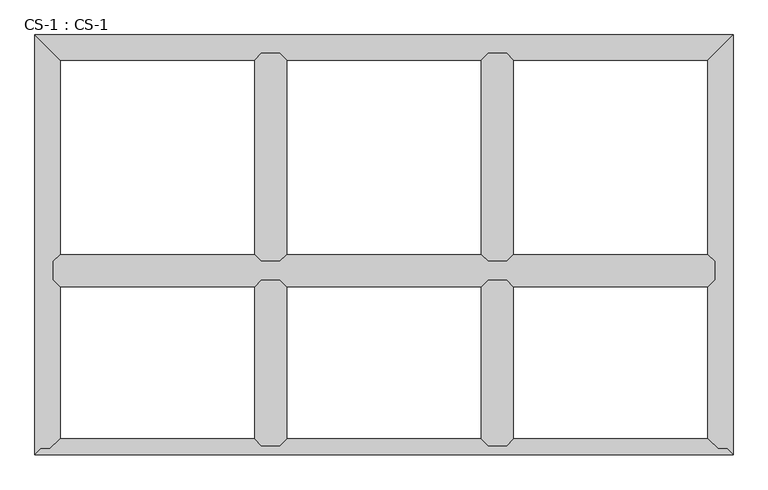
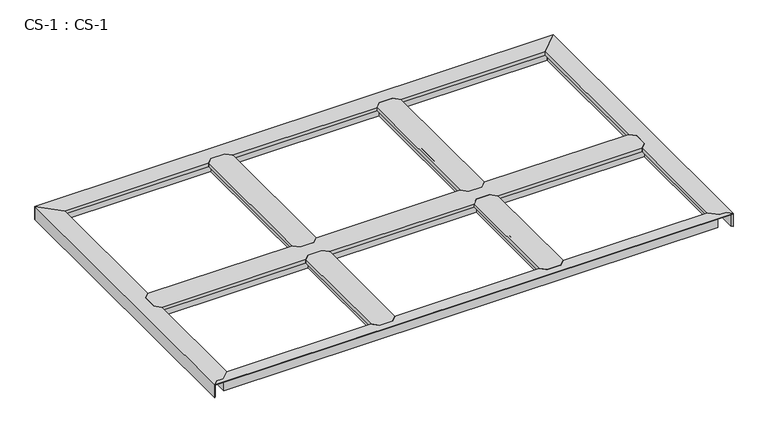
"""IFC4 building model written with IfcOpenShell, lengths in millimetres: proxy geometry, CS-1 : CS-1."""

from ifc_helpers import new_model, si_unit, origin, place, context, project, spatial, faceted_brep, source, transform, mapped, element, save


def cs_1_cs_1_3eeea7e7(model_context):
    return source(origin(), model_context, "Body", "Brep", [
        faceted_brep([(2438.4, 627.38, 46.355), (2438.4, 627.38, 0.0), (2438.4, 634.365, 0.0), (2438.4, 634.365, 63.5), (2438.4, 686.435, 63.5), (2438.4, 686.435, 0.0), (2438.4, 693.42, 0.0), (2438.4, 693.42, 46.355), (2438.4, 693.42, 66.675), (2438.4, 627.38, 66.675), (66.04, 693.42, 46.355), (66.04, 693.42, 0.0), (66.04, 686.435, 0.0), (66.04, 686.435, 63.5), (66.04, 634.365, 63.5), (66.04, 634.365, 0.0), (66.04, 627.38, 0.0), (66.04, 627.38, 46.355), (66.04, 627.38, 66.675), (66.04, 693.42, 66.675), (90.678, 718.058, 49.8094), (90.678, 718.058, 66.675), (788.162, 718.058, 66.675), (788.162, 718.058, 49.8094), (2413.762, 718.058, 66.675), (2413.762, 718.058, 49.8094), (1716.278, 718.058, 49.8094), (1716.278, 718.058, 66.675), (903.478, 718.058, 49.8094), (903.478, 718.058, 66.675), (1600.962, 718.058, 66.675), (1600.962, 718.058, 49.8094), (89.154, 716.534, 49.8094), (789.686, 716.534, 49.8094), (2415.286, 716.534, 49.8094), (1714.754, 716.534, 49.8094), (901.954, 716.534, 49.8094), (1602.486, 716.534, 49.8094), (89.154, 716.534, 64.643), (789.686, 716.534, 64.643), (2415.286, 716.534, 64.643), (1714.754, 716.534, 64.643), (901.954, 716.534, 64.643), (1602.486, 716.534, 64.643), (78.867, 706.247, 64.643), (799.973, 706.247, 64.643), (2425.573, 706.247, 64.643), (1704.467, 706.247, 64.643), (891.667, 706.247, 64.643), (1612.773, 706.247, 64.643), (78.867, 706.247, 46.355), (799.973, 706.247, 46.355), (2425.573, 706.247, 46.355), (1704.467, 706.247, 46.355), (891.667, 706.247, 46.355), (1612.773, 706.247, 46.355), (812.8, 693.42, 46.355), (1691.64, 693.42, 46.355), (878.84, 693.42, 46.355), (1625.6, 693.42, 46.355), (812.8, 693.42, 66.675), (878.84, 693.42, 66.675), (1625.6, 693.42, 66.675), (1691.64, 693.42, 66.675), (1691.64, 627.38, 46.355), (1691.64, 627.38, 66.675), (1625.6, 627.38, 66.675), (1625.6, 627.38, 46.355), (878.84, 627.38, 46.355), (878.84, 627.38, 66.675), (812.8, 627.38, 66.675), (812.8, 627.38, 46.355), (78.867, 614.553, 46.355), (799.973, 614.553, 46.355), (2425.573, 614.553, 46.355), (1704.467, 614.553, 46.355), (891.667, 614.553, 46.355), (1612.773, 614.553, 46.355), (78.867, 614.553, 64.643), (799.973, 614.553, 64.643), (2425.573, 614.553, 64.643), (1704.467, 614.553, 64.643), (891.667, 614.553, 64.643), (1612.773, 614.553, 64.643), (89.154, 604.266, 64.643), (789.686, 604.266, 64.643), (2415.286, 604.266, 64.643), (1714.754, 604.266, 64.643), (901.954, 604.266, 64.643), (1602.486, 604.266, 64.643), (89.154, 604.266, 49.8094), (789.686, 604.266, 49.8094), (2415.286, 604.266, 49.8094), (1714.754, 604.266, 49.8094), (901.954, 604.266, 49.8094), (1602.486, 604.266, 49.8094), (90.678, 602.742, 49.8094), (788.162, 602.742, 49.8094), (2413.762, 602.742, 49.8094), (1716.278, 602.742, 49.8094), (903.478, 602.742, 49.8094), (1600.962, 602.742, 49.8094), (90.678, 602.742, 66.675), (788.162, 602.742, 66.675), (2413.762, 602.742, 66.675), (1716.278, 602.742, 66.675), (903.478, 602.742, 66.675), (1600.962, 602.742, 66.675)], [[[0, 1, 2, 3, 4, 5, 6, 7, 8, 9]], [[10, 11, 12, 13, 14, 15, 16, 17, 18, 19]], [[20, 21, 22, 23]], [[24, 25, 26, 27]], [[28, 29, 30, 31]], [[32, 20, 23, 33]], [[25, 34, 35, 26]], [[36, 28, 31, 37]], [[38, 32, 33, 39]], [[34, 40, 41, 35]], [[42, 36, 37, 43]], [[44, 38, 39, 45]], [[40, 46, 47, 41]], [[48, 42, 43, 49]], [[50, 44, 45, 51]], [[46, 52, 53, 47]], [[54, 48, 49, 55]], [[10, 50, 51, 56]], [[52, 7, 57, 53]], [[58, 54, 55, 59]], [[7, 6, 11, 10, 56, 60, 61, 58, 59, 62, 63, 57]], [[6, 5, 12, 11]], [[5, 4, 13, 12]], [[4, 3, 14, 13]], [[3, 2, 15, 14]], [[2, 1, 16, 15]], [[1, 0, 64, 65, 66, 67, 68, 69, 70, 71, 17, 16]], [[72, 17, 71, 73]], [[0, 74, 75, 64]], [[76, 68, 67, 77]], [[78, 72, 73, 79]], [[74, 80, 81, 75]], [[82, 76, 77, 83]], [[84, 78, 79, 85]], [[80, 86, 87, 81]], [[88, 82, 83, 89]], [[90, 84, 85, 91]], [[86, 92, 93, 87]], [[94, 88, 89, 95]], [[96, 90, 91, 97]], [[92, 98, 99, 93]], [[100, 94, 95, 101]], [[102, 96, 97, 103]], [[98, 104, 105, 99]], [[106, 100, 101, 107]], [[9, 8, 24, 27, 63, 62, 30, 29, 61, 60, 22, 21, 19, 18, 102, 103, 70, 69, 106, 107, 66, 65, 105, 104]], [[10, 19, 21, 20, 32, 38, 44, 50]], [[18, 17, 72, 78, 84, 90, 96, 102]], [[0, 9, 104, 98, 92, 86, 80, 74]], [[8, 7, 52, 46, 40, 34, 25, 24]], [[60, 56, 51, 45, 39, 33, 23, 22]], [[58, 61, 29, 28, 36, 42, 48, 54]], [[62, 59, 55, 49, 43, 37, 31, 30]], [[57, 63, 27, 26, 35, 41, 47, 53]], [[69, 68, 76, 82, 88, 94, 100, 106]], [[71, 70, 103, 97, 91, 85, 79, 73]], [[65, 64, 75, 81, 87, 93, 99, 105]], [[67, 66, 107, 101, 95, 89, 83, 77]]]),
        faceted_brep([(1691.64, 627.38, 46.355), (1691.64, 627.38, 0.0), (1684.655, 627.38, 0.0), (1684.655, 627.38, 63.5), (1632.585, 627.38, 63.5), (1632.585, 627.38, 0.0), (1625.6, 627.38, 0.0), (1625.6, 627.38, 46.355), (1625.6, 627.38, 66.675), (1691.64, 627.38, 66.675), (1625.6, 33.02, 46.355), (1625.6, 33.02, 0.0), (1632.585, 33.02, 0.0), (1632.585, 33.02, 63.5), (1684.655, 33.02, 63.5), (1684.655, 33.02, 0.0), (1691.64, 33.02, 0.0), (1691.64, 33.02, 46.355), (1691.64, 33.02, 66.675), (1625.6, 33.02, 66.675), (1600.962, 57.658, 66.675), (1600.962, 602.742, 66.675), (1600.962, 602.742, 49.8094), (1600.962, 57.658, 49.8094), (1602.486, 604.266, 49.8094), (1602.486, 56.134, 49.8094), (1602.486, 604.266, 64.643), (1602.486, 56.134, 64.643), (1612.773, 614.553, 64.643), (1612.773, 45.847, 64.643), (1612.773, 614.553, 46.355), (1612.773, 45.847, 46.355), (1704.467, 614.553, 46.355), (1704.467, 45.847, 46.355), (1704.467, 614.553, 64.643), (1704.467, 45.847, 64.643), (1714.754, 604.266, 64.643), (1714.754, 56.134, 64.643), (1714.754, 604.266, 49.8094), (1714.754, 56.134, 49.8094), (1716.278, 602.742, 49.8094), (1716.278, 57.658, 49.8094), (1716.278, 602.742, 66.675), (1716.278, 57.658, 66.675)], [[[0, 1, 2, 3, 4, 5, 6, 7, 8, 9]], [[10, 11, 12, 13, 14, 15, 16, 17, 18, 19]], [[20, 21, 22, 23]], [[23, 22, 24, 25]], [[25, 24, 26, 27]], [[27, 26, 28, 29]], [[29, 28, 30, 31]], [[7, 10, 31, 30]], [[7, 6, 11, 10]], [[6, 5, 12, 11]], [[5, 4, 13, 12]], [[4, 3, 14, 13]], [[3, 2, 15, 14]], [[2, 1, 16, 15]], [[1, 0, 17, 16]], [[17, 0, 32, 33]], [[33, 32, 34, 35]], [[35, 34, 36, 37]], [[37, 36, 38, 39]], [[39, 38, 40, 41]], [[41, 40, 42, 43]], [[9, 8, 21, 20, 19, 18, 43, 42]], [[10, 19, 20, 23, 25, 27, 29, 31]], [[18, 17, 33, 35, 37, 39, 41, 43]], [[0, 9, 42, 40, 38, 36, 34, 32]], [[8, 7, 30, 28, 26, 24, 22, 21]]]),
        faceted_brep([(878.84, 627.38, 46.355), (878.84, 627.38, 0.0), (871.855, 627.38, 0.0), (871.855, 627.38, 63.5), (819.785, 627.38, 63.5), (819.785, 627.38, 0.0), (812.8, 627.38, 0.0), (812.8, 627.38, 46.355), (812.8, 627.38, 66.675), (878.84, 627.38, 66.675), (812.8, 33.02, 46.355), (812.8, 33.02, 0.0), (819.785, 33.02, 0.0), (819.785, 33.02, 63.5), (871.855, 33.02, 63.5), (871.855, 33.02, 0.0), (878.84, 33.02, 0.0), (878.84, 33.02, 46.355), (878.84, 33.02, 66.675), (812.8, 33.02, 66.675), (788.162, 57.658, 66.675), (788.162, 602.742, 66.675), (788.162, 602.742, 49.8094), (788.162, 57.658, 49.8094), (789.686, 604.266, 49.8094), (789.686, 56.134, 49.8094), (789.686, 604.266, 64.643), (789.686, 56.134, 64.643), (799.973, 614.553, 64.643), (799.973, 45.847, 64.643), (799.973, 614.553, 46.355), (799.973, 45.847, 46.355), (891.667, 614.553, 46.355), (891.667, 45.847, 46.355), (891.667, 614.553, 64.643), (891.667, 45.847, 64.643), (901.954, 604.266, 64.643), (901.954, 56.134, 64.643), (901.954, 604.266, 49.8094), (901.954, 56.134, 49.8094), (903.478, 602.742, 49.8094), (903.478, 57.658, 49.8094), (903.478, 602.742, 66.675), (903.478, 57.658, 66.675)], [[[0, 1, 2, 3, 4, 5, 6, 7, 8, 9]], [[10, 11, 12, 13, 14, 15, 16, 17, 18, 19]], [[20, 21, 22, 23]], [[23, 22, 24, 25]], [[25, 24, 26, 27]], [[27, 26, 28, 29]], [[29, 28, 30, 31]], [[7, 10, 31, 30]], [[7, 6, 11, 10]], [[6, 5, 12, 11]], [[5, 4, 13, 12]], [[4, 3, 14, 13]], [[3, 2, 15, 14]], [[2, 1, 16, 15]], [[1, 0, 17, 16]], [[17, 0, 32, 33]], [[33, 32, 34, 35]], [[35, 34, 36, 37]], [[37, 36, 38, 39]], [[39, 38, 40, 41]], [[41, 40, 42, 43]], [[9, 8, 21, 20, 19, 18, 43, 42]], [[10, 19, 20, 23, 25, 27, 29, 31]], [[18, 17, 33, 35, 37, 39, 41, 43]], [[0, 9, 42, 40, 38, 36, 34, 32]], [[8, 7, 30, 28, 26, 24, 22, 21]]]),
        faceted_brep([(1691.64, 1440.18, 46.355), (1691.64, 1440.18, 0.0), (1684.655, 1440.18, 0.0), (1684.655, 1440.18, 63.5), (1632.585, 1440.18, 63.5), (1632.585, 1440.18, 0.0), (1625.6, 1440.18, 0.0), (1625.6, 1440.18, 46.355), (1625.6, 1440.18, 66.675), (1691.64, 1440.18, 66.675), (1625.6, 693.42, 46.355), (1625.6, 693.42, 0.0), (1632.585, 693.42, 0.0), (1632.585, 693.42, 63.5), (1684.655, 693.42, 63.5), (1684.655, 693.42, 0.0), (1691.64, 693.42, 0.0), (1691.64, 693.42, 46.355), (1691.64, 693.42, 66.675), (1625.6, 693.42, 66.675), (1600.962, 718.058, 66.675), (1600.962, 1415.542, 66.675), (1600.962, 1415.542, 49.8094), (1600.962, 718.058, 49.8094), (1602.486, 1417.066, 49.8094), (1602.486, 716.534, 49.8094), (1602.486, 1417.066, 64.643), (1602.486, 716.534, 64.643), (1612.773, 1427.353, 64.643), (1612.773, 706.247, 64.643), (1612.773, 1427.353, 46.355), (1612.773, 706.247, 46.355), (1704.467, 1427.353, 46.355), (1704.467, 706.247, 46.355), (1704.467, 1427.353, 64.643), (1704.467, 706.247, 64.643), (1714.754, 1417.066, 64.643), (1714.754, 716.534, 64.643), (1714.754, 1417.066, 49.8094), (1714.754, 716.534, 49.8094), (1716.278, 1415.542, 49.8094), (1716.278, 718.058, 49.8094), (1716.278, 1415.542, 66.675), (1716.278, 718.058, 66.675)], [[[0, 1, 2, 3, 4, 5, 6, 7, 8, 9]], [[10, 11, 12, 13, 14, 15, 16, 17, 18, 19]], [[20, 21, 22, 23]], [[23, 22, 24, 25]], [[25, 24, 26, 27]], [[27, 26, 28, 29]], [[29, 28, 30, 31]], [[7, 10, 31, 30]], [[7, 6, 11, 10]], [[6, 5, 12, 11]], [[5, 4, 13, 12]], [[4, 3, 14, 13]], [[3, 2, 15, 14]], [[2, 1, 16, 15]], [[1, 0, 17, 16]], [[17, 0, 32, 33]], [[33, 32, 34, 35]], [[35, 34, 36, 37]], [[37, 36, 38, 39]], [[39, 38, 40, 41]], [[41, 40, 42, 43]], [[9, 8, 21, 20, 19, 18, 43, 42]], [[10, 19, 20, 23, 25, 27, 29, 31]], [[18, 17, 33, 35, 37, 39, 41, 43]], [[0, 9, 42, 40, 38, 36, 34, 32]], [[8, 7, 30, 28, 26, 24, 22, 21]]]),
        faceted_brep([(878.84, 1440.18, 46.355), (878.84, 1440.18, 0.0), (871.855, 1440.18, 0.0), (871.855, 1440.18, 63.5), (819.785, 1440.18, 63.5), (819.785, 1440.18, 0.0), (812.8, 1440.18, 0.0), (812.8, 1440.18, 46.355), (812.8, 1440.18, 66.675), (878.84, 1440.18, 66.675), (812.8, 693.42, 46.355), (812.8, 693.42, 0.0), (819.785, 693.42, 0.0), (819.785, 693.42, 63.5), (871.855, 693.42, 63.5), (871.855, 693.42, 0.0), (878.84, 693.42, 0.0), (878.84, 693.42, 46.355), (878.84, 693.42, 66.675), (812.8, 693.42, 66.675), (788.162, 718.058, 66.675), (788.162, 1415.542, 66.675), (788.162, 1415.542, 49.8094), (788.162, 718.058, 49.8094), (789.686, 1417.066, 49.8094), (789.686, 716.534, 49.8094), (789.686, 1417.066, 64.643), (789.686, 716.534, 64.643), (799.973, 1427.353, 64.643), (799.973, 706.247, 64.643), (799.973, 1427.353, 46.355), (799.973, 706.247, 46.355), (891.667, 1427.353, 46.355), (891.667, 706.247, 46.355), (891.667, 1427.353, 64.643), (891.667, 706.247, 64.643), (901.954, 1417.066, 64.643), (901.954, 716.534, 64.643), (901.954, 1417.066, 49.8094), (901.954, 716.534, 49.8094), (903.478, 1415.542, 49.8094), (903.478, 718.058, 49.8094), (903.478, 1415.542, 66.675), (903.478, 718.058, 66.675)], [[[0, 1, 2, 3, 4, 5, 6, 7, 8, 9]], [[10, 11, 12, 13, 14, 15, 16, 17, 18, 19]], [[20, 21, 22, 23]], [[23, 22, 24, 25]], [[25, 24, 26, 27]], [[27, 26, 28, 29]], [[29, 28, 30, 31]], [[7, 10, 31, 30]], [[7, 6, 11, 10]], [[6, 5, 12, 11]], [[5, 4, 13, 12]], [[4, 3, 14, 13]], [[3, 2, 15, 14]], [[2, 1, 16, 15]], [[1, 0, 17, 16]], [[17, 0, 32, 33]], [[33, 32, 34, 35]], [[35, 34, 36, 37]], [[37, 36, 38, 39]], [[39, 38, 40, 41]], [[41, 40, 42, 43]], [[9, 8, 21, 20, 19, 18, 43, 42]], [[10, 19, 20, 23, 25, 27, 29, 31]], [[18, 17, 33, 35, 37, 39, 41, 43]], [[0, 9, 42, 40, 38, 36, 34, 32]], [[8, 7, 30, 28, 26, 24, 22, 21]]]),
        faceted_brep([(0.0, 0.0, 66.675), (2504.44, 0.0, 66.675), (2482.85, 21.59, 66.675), (2451.1, 21.59, 66.675), (2413.762, 57.658, 66.675), (1716.278, 57.658, 66.675), (1691.64, 33.02, 66.675), (1625.6, 33.02, 66.675), (1600.962, 57.658, 66.675), (903.478, 57.658, 66.675), (878.84, 33.02, 66.675), (812.8, 33.02, 66.675), (788.162, 57.658, 66.675), (90.678, 57.658, 66.675), (53.34, 21.59, 66.675), (21.59, 21.59, 66.675), (0.0, 0.0, 63.5), (2504.44, 0.0, 63.5), (21.59, 21.59, 63.5), (53.34, 21.59, 63.5), (57.9415141, 26.035, 63.5), (2446.4984859, 26.035, 63.5), (2451.1, 21.59, 63.5), (2482.85, 21.59, 63.5), (2446.4984859, 26.035, 0.0), (57.9415141, 26.035, 0.0), (65.1724648, 33.02, 0.0), (2439.2675352, 33.02, 0.0), (2439.2675352, 33.02, 46.355), (65.1724648, 33.02, 46.355), (812.8, 33.02, 46.355), (878.84, 33.02, 46.355), (1625.6, 33.02, 46.355), (1691.64, 33.02, 46.355), (2425.9888803, 45.847, 46.355), (1704.467, 45.847, 46.355), (78.4511197, 45.847, 46.355), (799.973, 45.847, 46.355), (1612.773, 45.847, 46.355), (891.667, 45.847, 46.355), (2425.9888803, 45.847, 64.643), (1704.467, 45.847, 64.643), (78.4511197, 45.847, 64.643), (799.973, 45.847, 64.643), (1612.773, 45.847, 64.643), (891.667, 45.847, 64.643), (2415.339662, 56.134, 64.643), (1714.754, 56.134, 64.643), (89.100338, 56.134, 64.643), (789.686, 56.134, 64.643), (1602.486, 56.134, 64.643), (901.954, 56.134, 64.643), (2415.339662, 56.134, 49.8094), (1714.754, 56.134, 49.8094), (89.100338, 56.134, 49.8094), (789.686, 56.134, 49.8094), (1602.486, 56.134, 49.8094), (901.954, 56.134, 49.8094), (2413.762, 57.658, 49.8094), (1716.278, 57.658, 49.8094), (90.678, 57.658, 49.8094), (788.162, 57.658, 49.8094), (1600.962, 57.658, 49.8094), (903.478, 57.658, 49.8094)], [[[0, 1, 2, 3, 4, 5, 6, 7, 8, 9, 10, 11, 12, 13, 14, 15]], [[1, 0, 16, 17]], [[17, 16, 18, 19, 20, 21, 22, 23]], [[24, 21, 20, 25]], [[26, 27, 24, 25]], [[28, 27, 26, 29, 30, 11, 10, 31, 32, 7, 6, 33]], [[34, 28, 33, 35]], [[29, 36, 37, 30]], [[38, 32, 31, 39]], [[40, 34, 35, 41]], [[36, 42, 43, 37]], [[44, 38, 39, 45]], [[46, 40, 41, 47]], [[42, 48, 49, 43]], [[50, 44, 45, 51]], [[52, 46, 47, 53]], [[48, 54, 55, 49]], [[56, 50, 51, 57]], [[58, 52, 53, 59]], [[54, 60, 61, 55]], [[62, 56, 57, 63]], [[4, 58, 59, 5]], [[60, 13, 12, 61]], [[8, 62, 63, 9]], [[23, 2, 1, 17]], [[3, 22, 21, 24, 27, 28, 34, 40, 46, 52, 58, 4]], [[2, 23, 22, 3]], [[18, 15, 14, 19]], [[19, 14, 13, 60, 54, 48, 42, 36, 29, 26, 25, 20]], [[15, 18, 16, 0]], [[7, 32, 38, 44, 50, 56, 62, 8]], [[33, 6, 5, 59, 53, 47, 41, 35]], [[11, 30, 37, 43, 49, 55, 61, 12]], [[31, 10, 9, 63, 57, 51, 45, 39]]]),
        faceted_brep([(2504.44, 1506.22, 0.0), (2504.44, 0.0, 0.0), (2497.455, 6.985, 0.0), (2497.455, 1499.235, 0.0), (2497.455, 1499.235, 63.5), (2497.455, 6.985, 63.5), (2445.385, 1447.165, 63.5), (2482.85, 21.59, 63.5), (2451.1, 21.59, 63.5), (2445.385, 27.1106122, 63.5), (2445.385, 1447.165, 0.0), (2445.385, 27.1106122, 0.0), (2438.4, 33.8580272, 0.0), (2438.4, 1440.18, 0.0), (2438.4, 1440.18, 46.355), (2438.4, 33.8580272, 46.355), (2438.4, 627.38, 46.355), (2438.4, 627.38, 66.675), (2438.4, 693.42, 66.675), (2438.4, 693.42, 46.355), (2425.573, 1427.353, 46.355), (2425.573, 706.247, 46.355), (2425.573, 46.2487347, 46.355), (2425.573, 614.553, 46.355), (2425.573, 1427.353, 63.5), (2425.573, 706.247, 63.5), (2425.573, 46.2487347, 63.5), (2425.573, 614.553, 63.5), (2415.286, 1417.066, 63.5), (2415.286, 716.534, 63.5), (2415.286, 56.1858367, 63.5), (2415.286, 604.266, 63.5), (2415.286, 1417.066, 49.8094), (2415.286, 716.534, 49.8094), (2415.286, 56.1858367, 49.8094), (2415.286, 604.266, 49.8094), (2413.762, 1415.542, 49.8094), (2413.762, 718.058, 49.8094), (2413.762, 57.658, 49.8094), (2413.762, 602.742, 49.8094), (2413.762, 1415.542, 66.675), (2413.762, 718.058, 66.675), (2413.762, 57.658, 66.675), (2413.762, 602.742, 66.675), (2504.44, 0.0, 66.675), (2504.44, 1506.22, 66.675), (2451.1, 21.59, 66.675), (2482.85, 21.59, 66.675)], [[[0, 1, 2, 3]], [[4, 3, 2, 5]], [[6, 4, 5, 7, 8, 9]], [[10, 6, 9, 11]], [[12, 13, 10, 11]], [[14, 13, 12, 15, 16, 17, 18, 19]], [[20, 14, 19, 21]], [[15, 22, 23, 16]], [[24, 20, 21, 25]], [[22, 26, 27, 23]], [[28, 24, 25, 29]], [[26, 30, 31, 27]], [[32, 28, 29, 33]], [[30, 34, 35, 31]], [[36, 32, 33, 37]], [[34, 38, 39, 35]], [[40, 36, 37, 41]], [[38, 42, 43, 39]], [[44, 45, 40, 41, 18, 17, 43, 42, 46, 47]], [[1, 0, 45, 44]], [[0, 3, 4, 6, 10, 13, 14, 20, 24, 28, 32, 36, 40, 45]], [[7, 47, 46, 8]], [[8, 46, 42, 38, 34, 30, 26, 22, 15, 12, 11, 9]], [[47, 7, 5, 2, 1, 44]], [[17, 16, 23, 27, 31, 35, 39, 43]], [[19, 18, 41, 37, 33, 29, 25, 21]]]),
        faceted_brep([(0.0, 1506.22, 0.0), (2504.44, 1506.22, 0.0), (2497.455, 1499.235, 0.0), (6.985, 1499.235, 0.0), (6.985, 1499.235, 63.5), (2497.455, 1499.235, 63.5), (59.055, 1447.165, 63.5), (2445.385, 1447.165, 63.5), (59.055, 1447.165, 0.0), (2445.385, 1447.165, 0.0), (2438.4, 1440.18, 0.0), (66.04, 1440.18, 0.0), (66.04, 1440.18, 46.355), (2438.4, 1440.18, 46.355), (1691.64, 1440.18, 46.355), (1691.64, 1440.18, 66.675), (1625.6, 1440.18, 66.675), (1625.6, 1440.18, 46.355), (878.84, 1440.18, 46.355), (878.84, 1440.18, 66.675), (812.8, 1440.18, 66.675), (812.8, 1440.18, 46.355), (78.867, 1427.353, 46.355), (799.973, 1427.353, 46.355), (2425.573, 1427.353, 46.355), (1704.467, 1427.353, 46.355), (891.667, 1427.353, 46.355), (1612.773, 1427.353, 46.355), (78.867, 1427.353, 63.5), (799.973, 1427.353, 63.5), (2425.573, 1427.353, 63.5), (1704.467, 1427.353, 63.5), (891.667, 1427.353, 63.5), (1612.773, 1427.353, 63.5), (89.154, 1417.066, 63.5), (789.686, 1417.066, 63.5), (2415.286, 1417.066, 63.5), (1714.754, 1417.066, 63.5), (901.954, 1417.066, 63.5), (1602.486, 1417.066, 63.5), (89.154, 1417.066, 49.8094), (789.686, 1417.066, 49.8094), (2415.286, 1417.066, 49.8094), (1714.754, 1417.066, 49.8094), (901.954, 1417.066, 49.8094), (1602.486, 1417.066, 49.8094), (90.678, 1415.542, 49.8094), (788.162, 1415.542, 49.8094), (2413.762, 1415.542, 49.8094), (1716.278, 1415.542, 49.8094), (903.478, 1415.542, 49.8094), (1600.962, 1415.542, 49.8094), (90.678, 1415.542, 66.675), (788.162, 1415.542, 66.675), (2413.762, 1415.542, 66.675), (1716.278, 1415.542, 66.675), (903.478, 1415.542, 66.675), (1600.962, 1415.542, 66.675), (2504.44, 1506.22, 66.675), (0.0, 1506.22, 66.675)], [[[0, 1, 2, 3]], [[4, 3, 2, 5]], [[6, 4, 5, 7]], [[8, 6, 7, 9]], [[10, 11, 8, 9]], [[12, 11, 10, 13, 14, 15, 16, 17, 18, 19, 20, 21]], [[22, 12, 21, 23]], [[13, 24, 25, 14]], [[26, 18, 17, 27]], [[28, 22, 23, 29]], [[24, 30, 31, 25]], [[32, 26, 27, 33]], [[34, 28, 29, 35]], [[30, 36, 37, 31]], [[38, 32, 33, 39]], [[40, 34, 35, 41]], [[36, 42, 43, 37]], [[44, 38, 39, 45]], [[46, 40, 41, 47]], [[42, 48, 49, 43]], [[50, 44, 45, 51]], [[52, 46, 47, 53]], [[48, 54, 55, 49]], [[56, 50, 51, 57]], [[58, 59, 52, 53, 20, 19, 56, 57, 16, 15, 55, 54]], [[1, 0, 59, 58]], [[0, 3, 4, 6, 8, 11, 12, 22, 28, 34, 40, 46, 52, 59]], [[2, 1, 58, 54, 48, 42, 36, 30, 24, 13, 10, 9, 7, 5]], [[19, 18, 26, 32, 38, 44, 50, 56]], [[21, 20, 53, 47, 41, 35, 29, 23]], [[15, 14, 25, 31, 37, 43, 49, 55]], [[17, 16, 57, 51, 45, 39, 33, 27]]]),
        faceted_brep([(0.0, 0.0, 0.0), (0.0, 1506.22, 0.0), (6.985, 1499.235, 0.0), (6.985, 6.985, 0.0), (6.985, 6.985, 63.5), (6.985, 1499.235, 63.5), (21.59, 21.59, 63.5), (59.055, 1447.165, 63.5), (59.055, 27.1106122, 63.5), (53.34, 21.59, 63.5), (59.055, 27.1106122, 0.0), (59.055, 1447.165, 0.0), (66.04, 1440.18, 0.0), (66.04, 33.8580272, 0.0), (66.04, 33.8580272, 46.355), (66.04, 1440.18, 46.355), (66.04, 693.42, 46.355), (66.04, 693.42, 66.675), (66.04, 627.38, 66.675), (66.04, 627.38, 46.355), (78.867, 46.2487347, 46.355), (78.867, 614.553, 46.355), (78.867, 1427.353, 46.355), (78.867, 706.247, 46.355), (78.867, 46.2487347, 63.5), (78.867, 614.553, 63.5), (78.867, 1427.353, 63.5), (78.867, 706.247, 63.5), (89.154, 56.1858367, 63.5), (89.154, 604.266, 63.5), (89.154, 1417.066, 63.5), (89.154, 716.534, 63.5), (89.154, 56.1858367, 49.8094), (89.154, 604.266, 49.8094), (89.154, 1417.066, 49.8094), (89.154, 716.534, 49.8094), (90.678, 57.658, 49.8094), (90.678, 602.742, 49.8094), (90.678, 1415.542, 49.8094), (90.678, 718.058, 49.8094), (90.678, 57.658, 66.675), (90.678, 602.742, 66.675), (90.678, 1415.542, 66.675), (90.678, 718.058, 66.675), (0.0, 1506.22, 66.675), (0.0, 0.0, 66.675), (21.59, 21.59, 66.675), (53.34, 21.59, 66.675)], [[[0, 1, 2, 3]], [[4, 3, 2, 5]], [[6, 4, 5, 7, 8, 9]], [[10, 8, 7, 11]], [[12, 13, 10, 11]], [[14, 13, 12, 15, 16, 17, 18, 19]], [[20, 14, 19, 21]], [[15, 22, 23, 16]], [[24, 20, 21, 25]], [[22, 26, 27, 23]], [[28, 24, 25, 29]], [[26, 30, 31, 27]], [[32, 28, 29, 33]], [[30, 34, 35, 31]], [[36, 32, 33, 37]], [[34, 38, 39, 35]], [[40, 36, 37, 41]], [[38, 42, 43, 39]], [[44, 45, 46, 47, 40, 41, 18, 17, 43, 42]], [[1, 0, 45, 44]], [[6, 46, 45, 0, 3, 4]], [[47, 9, 8, 10, 13, 14, 20, 24, 28, 32, 36, 40]], [[46, 6, 9, 47]], [[2, 1, 44, 42, 38, 34, 30, 26, 22, 15, 12, 11, 7, 5]], [[17, 16, 23, 27, 31, 35, 39, 43]], [[19, 18, 41, 37, 33, 29, 25, 21]]]),
    ])


if __name__ == "__main__":
    model = new_model("IFC4")
    model_context = context("Model", 3, world=origin())
    ifc_project = project(units=[si_unit("LENGTHUNIT", "METRE", prefix="MILLI")], contexts=[model_context])
    site = spatial("IfcSite", under=ifc_project)
    building = spatial("IfcBuilding", under=site)
    placement = place(None, origin())
    cs_1_cs_1_shape = cs_1_cs_1_3eeea7e7(model_context)
    element("IfcBuildingElementProxy", 1, Name="CS-1 : CS-1", ObjectType="CS-1 : CS-1", at=placement, inside=building, context=model_context, shape_type="MappedRepresentation", body=[
        mapped(cs_1_cs_1_shape, transform((0.0, 0.0, 0.0), x_axis=(1.0, 0.0, 0.0), y_axis=(0.0, 1.0, 0.0), z_axis=(0.0, 0.0, 1.0))),
    ])
    save(model, "model.ifc")
